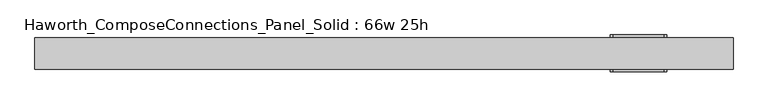
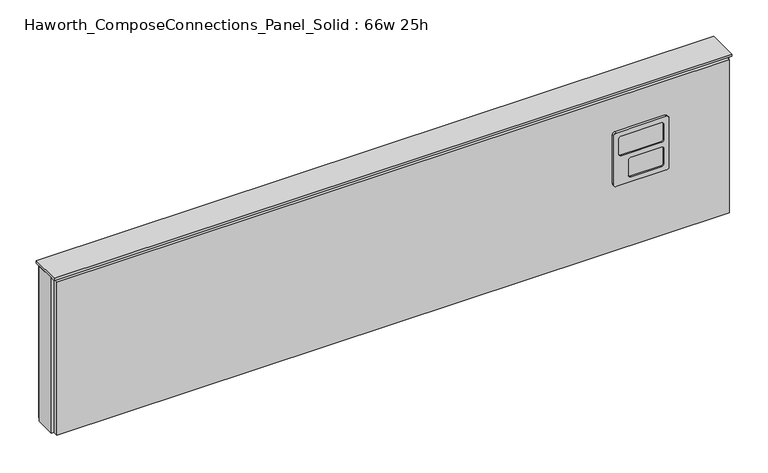
"""IFC4 building model written with IfcOpenShell, lengths in millimetres: furniture geometry, Haworth_ComposeConnections_Panel_Solid : 66w 25h."""

from ifc_helpers import new_model, si_unit, frame, origin, place, context, project, spatial, polyline, circle_curve, outline, extrude, source, transform, mapped, element, save
from ifc_brep_helpers import plane_surface, cylinder_surface, revolved_surface, advanced_brep


def haworth_composeconnections_panel_solid_66w_25h_af21f49e(model_context):
    return source(origin(), model_context, "Body", "SolidModel", [
        advanced_brep(
        [(551.7152902, 38.1, 546.1), (545.3652902, 38.1, 539.75), (545.3652902, 38.1, 412.75), (551.7152902, 38.1, 406.4), (675.5402902, 38.1, 406.4), (681.8902902, 38.1, 412.75), (681.8902902, 38.1, 539.75), (675.5402902, 38.1, 546.1), (551.7152902, 44.45, 546.1), (675.5402902, 44.45, 546.1), (681.8902902, 44.45, 539.75), (681.8902902, 44.45, 412.75), (675.5402902, 44.45, 406.4), (551.7152902, 44.45, 406.4), (545.3652902, 44.45, 412.75), (545.3652902, 44.45, 539.75), (564.4152902, 44.45, 533.4), (558.0652902, 44.45, 527.05), (558.0652902, 44.45, 488.95), (564.4152902, 44.45, 482.6), (662.8402902, 44.45, 482.6), (669.1902902, 44.45, 488.95), (669.1902902, 44.45, 527.05), (662.8402902, 44.45, 533.4), (564.4152902, 44.45, 469.9), (558.0652902, 44.45, 463.55), (558.0652902, 44.45, 425.45), (564.4152902, 44.45, 419.1), (639.0277902, 44.45, 419.1), (645.3777902, 44.45, 425.45), (645.3777902, 44.45, 463.55), (639.0277902, 44.45, 469.9), (564.4152902, 41.275, 533.4), (662.8402902, 41.275, 533.4), (669.1902902, 41.275, 527.05), (669.1902902, 41.275, 488.95), (662.8402902, 41.275, 482.6), (564.4152902, 41.275, 482.6), (558.0652902, 41.275, 488.95), (558.0652902, 41.275, 527.05), (564.4152902, 41.275, 469.9), (639.0277902, 41.275, 469.9), (645.3777902, 41.275, 463.55), (645.3777902, 41.275, 425.45), (639.0277902, 41.275, 419.1), (564.4152902, 41.275, 419.1), (558.0652902, 41.275, 425.45), (558.0652902, 41.275, 463.55)],
        [
            (0, 1, circle_curve(frame((551.7152902, 38.1, 539.75), z_axis=(0.0, -1.0, 0.0), x_axis=(1.0, 0.0, 0.0)), 6.35)),
            (1, 2),
            (2, 3, circle_curve(frame((551.7152902, 38.1, 412.75), z_axis=(0.0, -1.0, 0.0), x_axis=(1.0, 0.0, 0.0)), 6.35)),
            (3, 4),
            (4, 5, circle_curve(frame((675.5402902, 38.1, 412.75), z_axis=(0.0, -1.0, 0.0), x_axis=(1.0, 0.0, 0.0)), 6.35)),
            (5, 6),
            (6, 7, circle_curve(frame((675.5402902, 38.1, 539.75), z_axis=(0.0, -1.0, 0.0), x_axis=(1.0, 0.0, 0.0)), 6.35)),
            (7, 0),
            (8, 9),
            (9, 10, circle_curve(frame((675.5402902, 44.45, 539.75), z_axis=(0.0, 1.0, 0.0), x_axis=(1.0, 0.0, 0.0)), 6.35)),
            (10, 11),
            (11, 12, circle_curve(frame((675.5402902, 44.45, 412.75), z_axis=(0.0, 1.0, 0.0), x_axis=(1.0, 0.0, 0.0)), 6.35)),
            (12, 13),
            (13, 14, circle_curve(frame((551.7152902, 44.45, 412.75), z_axis=(0.0, 1.0, 0.0), x_axis=(1.0, 0.0, 0.0)), 6.35)),
            (14, 15),
            (15, 8, circle_curve(frame((551.7152902, 44.45, 539.75), z_axis=(0.0, 1.0, 0.0), x_axis=(1.0, 0.0, 0.0)), 6.35)),
            (16, 17, circle_curve(frame((564.4152902, 44.45, 527.05), z_axis=(0.0, -1.0, 0.0), x_axis=(1.0, 0.0, 0.0)), 6.35)),
            (17, 18),
            (18, 19, circle_curve(frame((564.4152902, 44.45, 488.95), z_axis=(0.0, -1.0, 0.0), x_axis=(1.0, 0.0, 0.0)), 6.35)),
            (19, 20),
            (20, 21, circle_curve(frame((662.8402902, 44.45, 488.95), z_axis=(0.0, -1.0, 0.0), x_axis=(1.0, 0.0, 0.0)), 6.35)),
            (21, 22),
            (22, 23, circle_curve(frame((662.8402902, 44.45, 527.05), z_axis=(0.0, -1.0, 0.0), x_axis=(1.0, 0.0, 0.0)), 6.35)),
            (23, 16),
            (24, 25, circle_curve(frame((564.4152902, 44.45, 463.55), z_axis=(0.0, -1.0, 0.0), x_axis=(1.0, 0.0, 0.0)), 6.35)),
            (25, 26),
            (26, 27, circle_curve(frame((564.4152902, 44.45, 425.45), z_axis=(0.0, -1.0, 0.0), x_axis=(1.0, 0.0, 0.0)), 6.35)),
            (27, 28),
            (28, 29, circle_curve(frame((639.0277902, 44.45, 425.45), z_axis=(0.0, -1.0, 0.0), x_axis=(1.0, 0.0, 0.0)), 6.35)),
            (29, 30),
            (30, 31, circle_curve(frame((639.0277902, 44.45, 463.55), z_axis=(0.0, -1.0, 0.0), x_axis=(1.0, 0.0, 0.0)), 6.35)),
            (31, 24),
            (0, 8),
            (15, 1),
            (14, 2),
            (13, 3),
            (12, 4),
            (11, 5),
            (10, 6),
            (9, 7),
            (32, 33),
            (33, 34, circle_curve(frame((662.8402902, 41.275, 527.05), z_axis=(0.0, 1.0, 0.0), x_axis=(1.0, 0.0, 0.0)), 6.35)),
            (34, 35),
            (35, 36, circle_curve(frame((662.8402902, 41.275, 488.95), z_axis=(0.0, 1.0, 0.0), x_axis=(1.0, 0.0, 0.0)), 6.35)),
            (36, 37),
            (37, 38, circle_curve(frame((564.4152902, 41.275, 488.95), z_axis=(0.0, 1.0, 0.0), x_axis=(1.0, 0.0, 0.0)), 6.35)),
            (38, 39),
            (39, 32, circle_curve(frame((564.4152902, 41.275, 527.05), z_axis=(0.0, 1.0, 0.0), x_axis=(1.0, 0.0, 0.0)), 6.35)),
            (40, 41),
            (41, 42, circle_curve(frame((639.0277902, 41.275, 463.55), z_axis=(0.0, 1.0, 0.0), x_axis=(1.0, 0.0, 0.0)), 6.35)),
            (42, 43),
            (43, 44, circle_curve(frame((639.0277902, 41.275, 425.45), z_axis=(0.0, 1.0, 0.0), x_axis=(1.0, 0.0, 0.0)), 6.35)),
            (44, 45),
            (45, 46, circle_curve(frame((564.4152902, 41.275, 425.45), z_axis=(0.0, 1.0, 0.0), x_axis=(1.0, 0.0, 0.0)), 6.35)),
            (46, 47),
            (47, 40, circle_curve(frame((564.4152902, 41.275, 463.55), z_axis=(0.0, 1.0, 0.0), x_axis=(1.0, 0.0, 0.0)), 6.35)),
            (39, 17),
            (16, 32),
            (38, 18),
            (37, 19),
            (36, 20),
            (35, 21),
            (34, 22),
            (33, 23),
            (47, 25),
            (24, 40),
            (46, 26),
            (45, 27),
            (44, 28),
            (43, 29),
            (42, 30),
            (41, 31),
        ],
        [
            plane_surface(frame((558.0652902, 38.1, 539.75), z_axis=(0.0, -1.0, 0.0), x_axis=(0.0, 0.0, 1.0))),
            plane_surface(frame((558.0652902, 44.45, 539.75), z_axis=(0.0, 1.0, 0.0), x_axis=(0.0, 0.0, -1.0))),
            cylinder_surface(frame((551.7152902, 44.45, 539.75), z_axis=(0.0, -1.0, 0.0), x_axis=(1.0, 0.0, 0.0)), 6.35),
            plane_surface(frame((545.3652902, 38.1, 539.75), z_axis=(-1.0, 0.0, 0.0), x_axis=(0.0, 1.0, 0.0))),
            cylinder_surface(frame((551.7152902, 44.45, 412.75), z_axis=(0.0, -1.0, 0.0), x_axis=(1.0, 0.0, 0.0)), 6.35),
            plane_surface(frame((551.7152902, 38.1, 406.4), z_axis=(0.0, 0.0, -1.0), x_axis=(0.0, 1.0, 0.0))),
            cylinder_surface(frame((675.5402902, 44.45, 412.75), z_axis=(0.0, -1.0, 0.0), x_axis=(1.0, 0.0, 0.0)), 6.35),
            plane_surface(frame((681.8902902, 38.1, 412.75), z_axis=(1.0, 0.0, 0.0), x_axis=(0.0, 1.0, 0.0))),
            cylinder_surface(frame((675.5402902, 44.45, 539.75), z_axis=(0.0, -1.0, 0.0), x_axis=(1.0, 0.0, 0.0)), 6.35),
            plane_surface(frame((675.5402902, 38.1, 546.1), z_axis=(0.0, 0.0, 1.0), x_axis=(0.0, 1.0, 0.0))),
            plane_surface(frame((570.7652902, 41.275, 527.05), z_axis=(0.0, 1.0, 0.0), x_axis=(0.0, 0.0, 1.0))),
            revolved_surface(polyline([(570.7652902, 41.275, 527.05), (570.7652902, 44.45, 527.05)]), (564.4152902, 44.45, 527.05), (0.0, -1.0, 0.0)),
            plane_surface(frame((558.0652902, 41.275, 527.05), z_axis=(1.0, 0.0, 0.0), x_axis=(0.0, 1.0, 0.0))),
            revolved_surface(polyline([(570.7652902, 41.275, 488.95), (570.7652902, 44.45, 488.95)]), (564.4152902, 44.45, 488.95), (0.0, -1.0, 0.0)),
            plane_surface(frame((564.4152902, 41.275, 482.6), z_axis=(0.0, 0.0, 1.0), x_axis=(0.0, 1.0, 0.0))),
            revolved_surface(polyline([(669.1902902, 41.275, 488.95), (669.1902902, 44.45, 488.95)]), (662.8402902, 44.45, 488.95), (0.0, -1.0, 0.0)),
            plane_surface(frame((669.1902902, 41.275, 488.95), z_axis=(-1.0, 0.0, 0.0), x_axis=(0.0, 1.0, 0.0))),
            revolved_surface(polyline([(669.1902902, 41.275, 527.05), (669.1902902, 44.45, 527.05)]), (662.8402902, 44.45, 527.05), (0.0, -1.0, 0.0)),
            plane_surface(frame((662.8402902, 41.275, 533.4), z_axis=(0.0, 0.0, -1.0), x_axis=(0.0, 1.0, 0.0))),
            revolved_surface(polyline([(570.7652902, 41.275, 463.55), (570.7652902, 44.45, 463.55)]), (564.4152902, 44.45, 463.55), (0.0, -1.0, 0.0)),
            plane_surface(frame((558.0652902, 41.275, 463.55), z_axis=(1.0, 0.0, 0.0), x_axis=(0.0, 1.0, 0.0))),
            revolved_surface(polyline([(570.7652902, 41.275, 425.45), (570.7652902, 44.45, 425.45)]), (564.4152902, 44.45, 425.45), (0.0, -1.0, 0.0)),
            plane_surface(frame((564.4152902, 41.275, 419.1), z_axis=(0.0, 0.0, 1.0), x_axis=(0.0, 1.0, 0.0))),
            revolved_surface(polyline([(645.3777902, 41.275, 425.45), (645.3777902, 44.45, 425.45)]), (639.0277902, 44.45, 425.45), (0.0, -1.0, 0.0)),
            plane_surface(frame((645.3777902, 41.275, 425.45), z_axis=(-1.0, 0.0, 0.0), x_axis=(0.0, 1.0, 0.0))),
            revolved_surface(polyline([(645.3777902, 41.275, 463.55), (645.3777902, 44.45, 463.55)]), (639.0277902, 44.45, 463.55), (0.0, -1.0, 0.0)),
            plane_surface(frame((639.0277902, 41.275, 469.9), z_axis=(0.0, 0.0, -1.0), x_axis=(0.0, 1.0, 0.0))),
        ],
        [
            (0, [[1, 2, 3, 4, 5, 6, 7, 8]]),
            (1, [[9, 10, 11, 12, 13, 14, 15, 16], [17, 18, 19, 20, 21, 22, 23, 24], [25, 26, 27, 28, 29, 30, 31, 32]]),
            (2, [[-1, 33, -16, 34]]),
            (3, [[-2, -34, -15, 35]]),
            (4, [[-3, -35, -14, 36]]),
            (5, [[-4, -36, -13, 37]]),
            (6, [[-5, -37, -12, 38]]),
            (7, [[-6, -38, -11, 39]]),
            (8, [[-7, -39, -10, 40]]),
            (9, [[-8, -40, -9, -33]]),
            (10, [[41, 42, 43, 44, 45, 46, 47, 48]]),
            (10, [[49, 50, 51, 52, 53, 54, 55, 56]]),
            (11, [[-48, 57, -17, 58]]),
            (12, [[-47, 59, -18, -57]]),
            (13, [[-46, 60, -19, -59]]),
            (14, [[-45, 61, -20, -60]]),
            (15, [[-44, 62, -21, -61]]),
            (16, [[-43, 63, -22, -62]]),
            (17, [[-42, 64, -23, -63]]),
            (18, [[-41, -58, -24, -64]]),
            (19, [[-56, 65, -25, 66]]),
            (20, [[-55, 67, -26, -65]]),
            (21, [[-54, 68, -27, -67]]),
            (22, [[-53, 69, -28, -68]]),
            (23, [[-52, 70, -29, -69]]),
            (24, [[-51, 71, -30, -70]]),
            (25, [[-50, 72, -31, -71]]),
            (26, [[-49, -66, -32, -72]]),
        ],
    ),
        advanced_brep(
        [(675.5402902, -38.1, 546.1), (681.8902902, -38.1, 539.75), (681.8902902, -38.1, 412.75), (675.5402902, -38.1, 406.4), (551.7152902, -38.1, 406.4), (545.3652902, -38.1, 412.75), (545.3652902, -38.1, 539.75), (551.7152902, -38.1, 546.1), (675.5402902, -44.45, 546.1), (551.7152902, -44.45, 546.1), (545.3652902, -44.45, 539.75), (545.3652902, -44.45, 412.75), (551.7152902, -44.45, 406.4), (675.5402902, -44.45, 406.4), (681.8902902, -44.45, 412.75), (681.8902902, -44.45, 539.75), (662.8402902, -44.45, 533.4), (669.1902902, -44.45, 527.05), (669.1902902, -44.45, 488.95), (662.8402902, -44.45, 482.6), (564.4152902, -44.45, 482.6), (558.0652902, -44.45, 488.95), (558.0652902, -44.45, 527.05), (564.4152902, -44.45, 533.4), (662.8402902, -44.45, 469.9), (669.1902902, -44.45, 463.55), (669.1902902, -44.45, 425.45), (662.8402902, -44.45, 419.1), (588.2277902, -44.45, 419.1), (581.8777902, -44.45, 425.45), (581.8777902, -44.45, 463.55), (588.2277902, -44.45, 469.9), (662.8402902, -41.275, 533.4), (564.4152902, -41.275, 533.4), (558.0652902, -41.275, 527.05), (558.0652902, -41.275, 488.95), (564.4152902, -41.275, 482.6), (662.8402902, -41.275, 482.6), (669.1902902, -41.275, 488.95), (669.1902902, -41.275, 527.05), (662.8402902, -41.275, 469.9), (588.2277902, -41.275, 469.9), (581.8777902, -41.275, 463.55), (581.8777902, -41.275, 425.45), (588.2277902, -41.275, 419.1), (662.8402902, -41.275, 419.1), (669.1902902, -41.275, 425.45), (669.1902902, -41.275, 463.55)],
        [
            (0, 1, circle_curve(frame((675.5402902, -38.1, 539.75), z_axis=(0.0, 1.0, 0.0), x_axis=(-1.0, 0.0, 0.0)), 6.35)),
            (1, 2),
            (2, 3, circle_curve(frame((675.5402902, -38.1, 412.75), z_axis=(0.0, 1.0, 0.0), x_axis=(-1.0, 0.0, 0.0)), 6.35)),
            (3, 4),
            (4, 5, circle_curve(frame((551.7152902, -38.1, 412.75), z_axis=(0.0, 1.0, 0.0), x_axis=(-1.0, 0.0, 0.0)), 6.35)),
            (5, 6),
            (6, 7, circle_curve(frame((551.7152902, -38.1, 539.75), z_axis=(0.0, 1.0, 0.0), x_axis=(-1.0, 0.0, 0.0)), 6.35)),
            (7, 0),
            (8, 9),
            (9, 10, circle_curve(frame((551.7152902, -44.45, 539.75), z_axis=(0.0, -1.0, 0.0), x_axis=(-1.0, 0.0, 0.0)), 6.35)),
            (10, 11),
            (11, 12, circle_curve(frame((551.7152902, -44.45, 412.75), z_axis=(0.0, -1.0, 0.0), x_axis=(-1.0, 0.0, 0.0)), 6.35)),
            (12, 13),
            (13, 14, circle_curve(frame((675.5402902, -44.45, 412.75), z_axis=(0.0, -1.0, 0.0), x_axis=(-1.0, 0.0, 0.0)), 6.35)),
            (14, 15),
            (15, 8, circle_curve(frame((675.5402902, -44.45, 539.75), z_axis=(0.0, -1.0, 0.0), x_axis=(-1.0, 0.0, 0.0)), 6.35)),
            (16, 17, circle_curve(frame((662.8402902, -44.45, 527.05), z_axis=(0.0, 1.0, 0.0), x_axis=(-1.0, 0.0, 0.0)), 6.35)),
            (17, 18),
            (18, 19, circle_curve(frame((662.8402902, -44.45, 488.95), z_axis=(0.0, 1.0, 0.0), x_axis=(-1.0, 0.0, 0.0)), 6.35)),
            (19, 20),
            (20, 21, circle_curve(frame((564.4152902, -44.45, 488.95), z_axis=(0.0, 1.0, 0.0), x_axis=(-1.0, 0.0, 0.0)), 6.35)),
            (21, 22),
            (22, 23, circle_curve(frame((564.4152902, -44.45, 527.05), z_axis=(0.0, 1.0, 0.0), x_axis=(-1.0, 0.0, 0.0)), 6.35)),
            (23, 16),
            (24, 25, circle_curve(frame((662.8402902, -44.45, 463.55), z_axis=(0.0, 1.0, 0.0), x_axis=(-1.0, 0.0, 0.0)), 6.35)),
            (25, 26),
            (26, 27, circle_curve(frame((662.8402902, -44.45, 425.45), z_axis=(0.0, 1.0, 0.0), x_axis=(-1.0, 0.0, 0.0)), 6.35)),
            (27, 28),
            (28, 29, circle_curve(frame((588.2277902, -44.45, 425.45), z_axis=(0.0, 1.0, 0.0), x_axis=(-1.0, 0.0, 0.0)), 6.35)),
            (29, 30),
            (30, 31, circle_curve(frame((588.2277902, -44.45, 463.55), z_axis=(0.0, 1.0, 0.0), x_axis=(-1.0, 0.0, 0.0)), 6.35)),
            (31, 24),
            (0, 8),
            (15, 1),
            (14, 2),
            (13, 3),
            (12, 4),
            (11, 5),
            (10, 6),
            (9, 7),
            (32, 33),
            (33, 34, circle_curve(frame((564.4152902, -41.275, 527.05), z_axis=(0.0, -1.0, 0.0), x_axis=(-1.0, 0.0, 0.0)), 6.35)),
            (34, 35),
            (35, 36, circle_curve(frame((564.4152902, -41.275, 488.95), z_axis=(0.0, -1.0, 0.0), x_axis=(-1.0, 0.0, 0.0)), 6.35)),
            (36, 37),
            (37, 38, circle_curve(frame((662.8402902, -41.275, 488.95), z_axis=(0.0, -1.0, 0.0), x_axis=(-1.0, 0.0, 0.0)), 6.35)),
            (38, 39),
            (39, 32, circle_curve(frame((662.8402902, -41.275, 527.05), z_axis=(0.0, -1.0, 0.0), x_axis=(-1.0, 0.0, 0.0)), 6.35)),
            (40, 41),
            (41, 42, circle_curve(frame((588.2277902, -41.275, 463.55), z_axis=(0.0, -1.0, 0.0), x_axis=(-1.0, 0.0, 0.0)), 6.35)),
            (42, 43),
            (43, 44, circle_curve(frame((588.2277902, -41.275, 425.45), z_axis=(0.0, -1.0, 0.0), x_axis=(-1.0, 0.0, 0.0)), 6.35)),
            (44, 45),
            (45, 46, circle_curve(frame((662.8402902, -41.275, 425.45), z_axis=(0.0, -1.0, 0.0), x_axis=(-1.0, 0.0, 0.0)), 6.35)),
            (46, 47),
            (47, 40, circle_curve(frame((662.8402902, -41.275, 463.55), z_axis=(0.0, -1.0, 0.0), x_axis=(-1.0, 0.0, 0.0)), 6.35)),
            (39, 17),
            (16, 32),
            (38, 18),
            (37, 19),
            (36, 20),
            (35, 21),
            (34, 22),
            (33, 23),
            (47, 25),
            (24, 40),
            (46, 26),
            (45, 27),
            (44, 28),
            (43, 29),
            (42, 30),
            (41, 31),
        ],
        [
            plane_surface(frame((669.1902902, -38.1, 539.75), z_axis=(0.0, 1.0, 0.0), x_axis=(0.0, 0.0, 1.0))),
            plane_surface(frame((669.1902902, -44.45, 539.75), z_axis=(0.0, -1.0, 0.0), x_axis=(0.0, 0.0, -1.0))),
            cylinder_surface(frame((675.5402902, -44.45, 539.75), z_axis=(0.0, 1.0, 0.0), x_axis=(-1.0, 0.0, 0.0)), 6.35),
            plane_surface(frame((681.8902902, -38.1, 539.75), z_axis=(1.0, 0.0, 0.0), x_axis=(0.0, -1.0, 0.0))),
            cylinder_surface(frame((675.5402902, -44.45, 412.75), z_axis=(0.0, 1.0, 0.0), x_axis=(-1.0, 0.0, 0.0)), 6.35),
            plane_surface(frame((675.5402902, -38.1, 406.4), z_axis=(0.0, 0.0, -1.0), x_axis=(0.0, -1.0, 0.0))),
            cylinder_surface(frame((551.7152902, -44.45, 412.75), z_axis=(0.0, 1.0, 0.0), x_axis=(-1.0, 0.0, 0.0)), 6.35),
            plane_surface(frame((545.3652902, -38.1, 412.75), z_axis=(-1.0, 0.0, 0.0), x_axis=(0.0, -1.0, 0.0))),
            cylinder_surface(frame((551.7152902, -44.45, 539.75), z_axis=(0.0, 1.0, 0.0), x_axis=(-1.0, 0.0, 0.0)), 6.35),
            plane_surface(frame((551.7152902, -38.1, 546.1), z_axis=(0.0, 0.0, 1.0), x_axis=(0.0, -1.0, 0.0))),
            plane_surface(frame((656.4902902, -41.275, 527.05), z_axis=(0.0, -1.0, 0.0), x_axis=(0.0, 0.0, 1.0))),
            revolved_surface(polyline([(656.4902902, -41.275, 527.05), (656.4902902, -44.45, 527.05)]), (662.8402902, -44.45, 527.05), (0.0, 1.0, 0.0)),
            plane_surface(frame((669.1902902, -41.275, 527.05), z_axis=(-1.0, 0.0, 0.0), x_axis=(0.0, -1.0, 0.0))),
            revolved_surface(polyline([(656.4902902, -41.275, 488.95), (656.4902902, -44.45, 488.95)]), (662.8402902, -44.45, 488.95), (0.0, 1.0, 0.0)),
            plane_surface(frame((662.8402902, -41.275, 482.6), z_axis=(0.0, 0.0, 1.0), x_axis=(0.0, -1.0, 0.0))),
            revolved_surface(polyline([(558.0652901999999, -41.275, 488.95), (558.0652901999999, -44.45, 488.95)]), (564.4152902, -44.45, 488.95), (0.0, 1.0, 0.0)),
            plane_surface(frame((558.0652902, -41.275, 488.95), z_axis=(1.0, 0.0, 0.0), x_axis=(0.0, -1.0, 0.0))),
            revolved_surface(polyline([(558.0652901999999, -41.275, 527.05), (558.0652901999999, -44.45, 527.05)]), (564.4152902, -44.45, 527.05), (0.0, 1.0, 0.0)),
            plane_surface(frame((564.4152902, -41.275, 533.4), z_axis=(0.0, 0.0, -1.0), x_axis=(0.0, -1.0, 0.0))),
            revolved_surface(polyline([(656.4902902, -41.275, 463.55), (656.4902902, -44.45, 463.55)]), (662.8402902, -44.45, 463.55), (0.0, 1.0, 0.0)),
            plane_surface(frame((669.1902902, -41.275, 463.55), z_axis=(-1.0, 0.0, 0.0), x_axis=(0.0, -1.0, 0.0))),
            revolved_surface(polyline([(656.4902902, -41.275, 425.45), (656.4902902, -44.45, 425.45)]), (662.8402902, -44.45, 425.45), (0.0, 1.0, 0.0)),
            plane_surface(frame((662.8402902, -41.275, 419.1), z_axis=(0.0, 0.0, 1.0), x_axis=(0.0, -1.0, 0.0))),
            revolved_surface(polyline([(581.8777901999999, -41.275, 425.45), (581.8777901999999, -44.45, 425.45)]), (588.2277902, -44.45, 425.45), (0.0, 1.0, 0.0)),
            plane_surface(frame((581.8777902, -41.275, 425.45), z_axis=(1.0, 0.0, 0.0), x_axis=(0.0, -1.0, 0.0))),
            revolved_surface(polyline([(581.8777901999999, -41.275, 463.55), (581.8777901999999, -44.45, 463.55)]), (588.2277902, -44.45, 463.55), (0.0, 1.0, 0.0)),
            plane_surface(frame((588.2277902, -41.275, 469.9), z_axis=(0.0, 0.0, -1.0), x_axis=(0.0, -1.0, 0.0))),
        ],
        [
            (0, [[1, 2, 3, 4, 5, 6, 7, 8]]),
            (1, [[9, 10, 11, 12, 13, 14, 15, 16], [17, 18, 19, 20, 21, 22, 23, 24], [25, 26, 27, 28, 29, 30, 31, 32]]),
            (2, [[-1, 33, -16, 34]]),
            (3, [[-2, -34, -15, 35]]),
            (4, [[-3, -35, -14, 36]]),
            (5, [[-4, -36, -13, 37]]),
            (6, [[-5, -37, -12, 38]]),
            (7, [[-6, -38, -11, 39]]),
            (8, [[-7, -39, -10, 40]]),
            (9, [[-8, -40, -9, -33]]),
            (10, [[41, 42, 43, 44, 45, 46, 47, 48]]),
            (10, [[49, 50, 51, 52, 53, 54, 55, 56]]),
            (11, [[-48, 57, -17, 58]]),
            (12, [[-47, 59, -18, -57]]),
            (13, [[-46, 60, -19, -59]]),
            (14, [[-45, 61, -20, -60]]),
            (15, [[-44, 62, -21, -61]]),
            (16, [[-43, 63, -22, -62]]),
            (17, [[-42, 64, -23, -63]]),
            (18, [[-41, -58, -24, -64]]),
            (19, [[-56, 65, -25, 66]]),
            (20, [[-55, 67, -26, -65]]),
            (21, [[-54, 68, -27, -67]]),
            (22, [[-53, 69, -28, -68]]),
            (23, [[-52, 70, -29, -69]]),
            (24, [[-51, 71, -30, -70]]),
            (25, [[-50, 72, -31, -71]]),
            (26, [[-49, -66, -32, -72]]),
        ],
    ),
        extrude(outline(polyline([(840.6402902, -25.4), (-835.7597098, -25.4), (-835.7597098, 25.4), (840.6402902, 25.4), (840.6402902, -25.4)])), frame((0.0, 0.0, 234.95), z_axis=(0.0, 0.0, 1.0), x_axis=(1.0, 0.0, 0.0)), (0.0, 0.0, 1.0), 406.4),
        extrude(outline(polyline([(-829.4097098, -25.4), (834.2902902, -25.4), (834.2902902, -38.1), (-829.4097098, -38.1), (-829.4097098, -25.4)])), frame((0.0, 0.0, 234.95), z_axis=(0.0, 0.0, 1.0), x_axis=(1.0, 0.0, 0.0)), (0.0, 0.0, 1.0), 400.05),
        extrude(outline(polyline([(-829.4097098, 38.1), (834.2902902, 38.1), (834.2902902, 25.4), (-829.4097098, 25.4), (-829.4097098, 38.1)])), frame((0.0, 0.0, 234.95), z_axis=(0.0, 0.0, 1.0), x_axis=(1.0, 0.0, 0.0)), (0.0, 0.0, 1.0), 400.05),
        extrude(outline(polyline([(-835.7597098, -38.1), (-835.7597098, 38.1), (840.6402902, 38.1), (840.6402902, -38.1), (-835.7597098, -38.1)])), frame((0.0, 0.0, 641.35), z_axis=(0.0, 0.0, 1.0), x_axis=(1.0, 0.0, 0.0)), (0.0, 0.0, 1.0), 6.35),
    ])


if __name__ == "__main__":
    model = new_model("IFC4")
    model_context = context("Model", 3, world=origin())
    ifc_project = project(units=[si_unit("LENGTHUNIT", "METRE", prefix="MILLI")], contexts=[model_context])
    site = spatial("IfcSite", under=ifc_project)
    building = spatial("IfcBuilding", under=site)
    placement = place(None, origin())
    haworth_composeconnections_panel_solid_66w_25h_shape = haworth_composeconnections_panel_solid_66w_25h_af21f49e(model_context)
    element("IfcFurniture", 1, ObjectType="Haworth_ComposeConnections_Panel_Solid : 66w 25h", at=placement, inside=building, context=model_context, shape_type="MappedRepresentation", body=[
        mapped(haworth_composeconnections_panel_solid_66w_25h_shape, transform((0.0, 0.0, 0.0), x_axis=(1.0, 0.0, 0.0), y_axis=(0.0, 1.0, 0.0), z_axis=(0.0, 0.0, 1.0))),
    ])
    save(model, "model.ifc")
